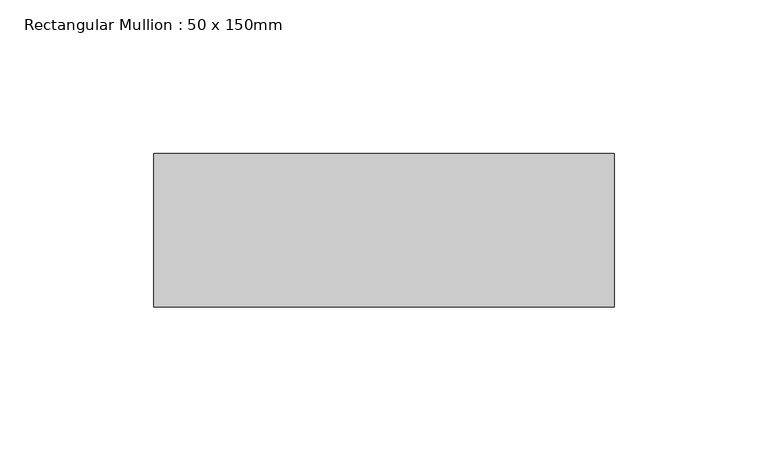
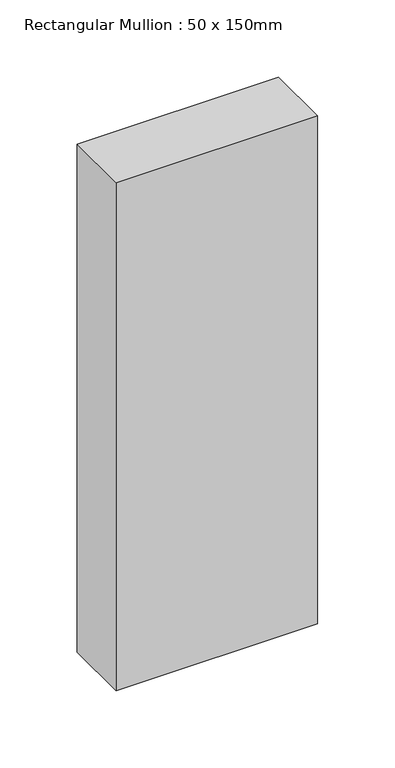
"""IFC4 building model written with IfcOpenShell, lengths in millimetres: member geometry, Rectangular Mullion : 50 x 150mm."""

from ifc_helpers import new_model, si_unit, frame, origin, place, context, project, spatial, polyline, outline, extrude, source, transform, mapped, element, save


def rectangular_mullion_50_x_150mm_10caf46a(model_context):
    return source(origin(), model_context, "Body", "SweptSolid", [
        extrude(outline(polyline([(150.0, 50.0), (150.0, 0.0), (0.0, 0.0), (0.0, 50.0), (150.0, 50.0)])), frame((0.0, 0.0, -400.0), z_axis=(0.0, 0.0, 1.0), x_axis=(1.0, 0.0, 0.0)), (0.0, 0.0, 1.0), 400.0),
    ])


if __name__ == "__main__":
    model = new_model("IFC4")
    model_context = context("Model", 3, world=origin())
    ifc_project = project(units=[si_unit("LENGTHUNIT", "METRE", prefix="MILLI")], contexts=[model_context])
    site = spatial("IfcSite", under=ifc_project)
    building = spatial("IfcBuilding", under=site)
    placement = place(None, origin())
    rectangular_mullion_50_x_150mm_shape = rectangular_mullion_50_x_150mm_10caf46a(model_context)
    element("IfcMember", 1, ObjectType="Rectangular Mullion : 50 x 150mm", at=placement, inside=building, context=model_context, shape_type="MappedRepresentation", body=[
        mapped(rectangular_mullion_50_x_150mm_shape, transform((0.0, 0.0, 0.0), x_axis=(1.0, 0.0, 0.0), y_axis=(0.0, 1.0, 0.0), z_axis=(0.0, 0.0, 1.0))),
    ])
    save(model, "model.ifc")
